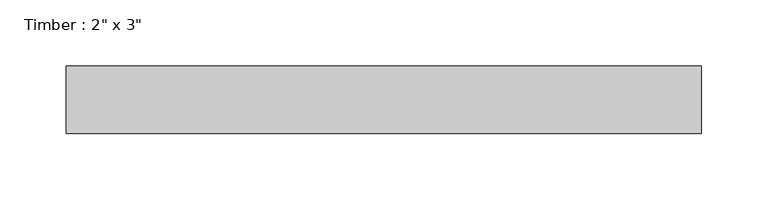
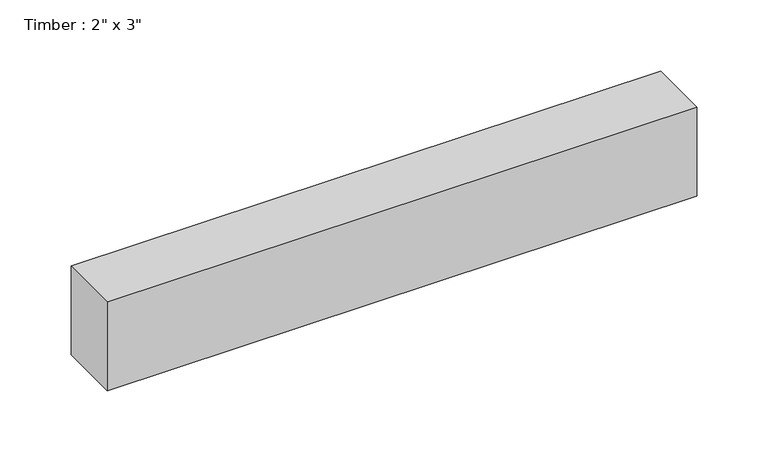
"""IFC4 building model written with IfcOpenShell, lengths in millimetres: beam geometry."""

from ifc_helpers import new_model, si_unit, frame, origin, place, context, project, spatial, polyline, outline, extrude, source, transform, mapped, element, save


def beam_a3aefbcb(model_context):
    return source(origin(), model_context, "Body", "SweptSolid", [
        extrude(outline(polyline([(238.9885591, 25.4), (238.9885591, -25.4), (-238.9885591, -25.4), (-238.9885591, 25.4), (238.9885591, 25.4)])), frame((0.0, 0.0, -38.1), z_axis=(0.0, 0.0, 1.0), x_axis=(1.0, 0.0, 0.0)), (0.0, 0.0, 1.0), 76.2),
    ])


if __name__ == "__main__":
    model = new_model("IFC4")
    model_context = context("Model", 3, world=origin())
    ifc_project = project(units=[si_unit("LENGTHUNIT", "METRE", prefix="MILLI")], contexts=[model_context])
    site = spatial("IfcSite", under=ifc_project)
    building = spatial("IfcBuilding", under=site)
    placement = place(None, origin())
    beam_shape = beam_a3aefbcb(model_context)
    element("IfcBeam", 1, ObjectType="Timber : 2\" x 3\"", at=placement, inside=building, context=model_context, shape_type="MappedRepresentation", body=[
        mapped(beam_shape, transform((0.0, 0.0, 0.0), x_axis=(1.0, 0.0, 0.0), y_axis=(0.0, 1.0, 0.0), z_axis=(0.0, 0.0, 1.0))),
    ])
    save(model, "model.ifc")
